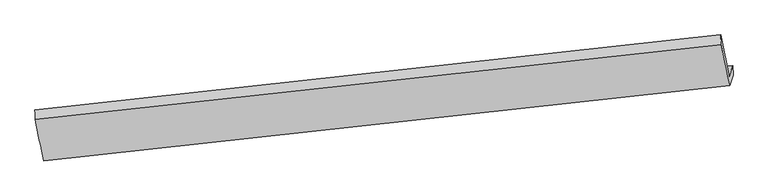
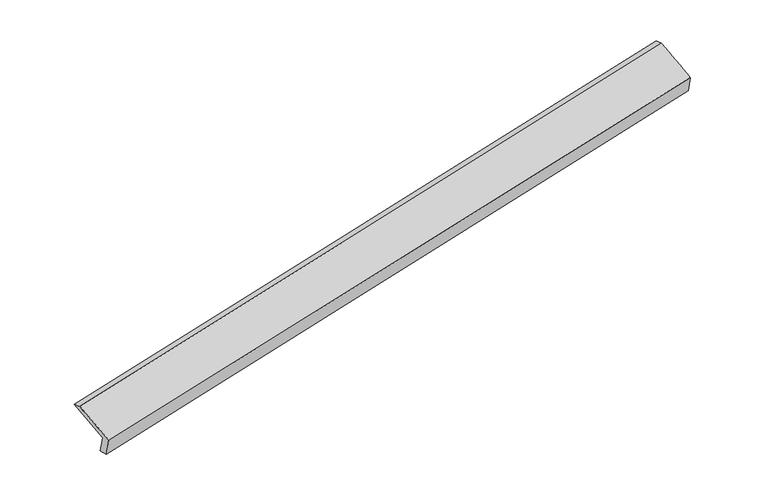
"""IFC4 building model written with IfcOpenShell, lengths in millimetres: proxy geometry."""

from ifc_helpers import new_model, si_unit, frame, origin, place, context, project, spatial, source, transform, mapped, element, save
from ifc_brep_helpers import plane_surface, spline_surface, advanced_brep


def generic_models_d8101a44(model_context):
    return source(origin(), model_context, "Body", "AdvancedBrep", [
        advanced_brep(
        [(-8456.8676467, -2145.3235639, 403.5512448), (-8516.4063214, -2321.9891872, 791.4044432), (2835.6246543, -1095.9946033, 3082.1314752), (2895.855105, -917.2763139, 2689.7718361), (-8444.4429821, -2316.4868197, 437.4054193), (2902.0819489, -1076.5495557, 2744.7332954), (-8506.4377433, -2500.4402446, 841.2583187), (2842.8542914, -1252.2923157, 3130.5604321), (-8643.6275096, -1815.3132136, 1132.2712523), (2708.6971288, -566.8280876, 3422.1924875), (-8650.5062442, -1652.2928648, 1075.8630657), (2700.9441566, -407.8564402, 3374.9011613)],
        [
            (0, 1),
            (1, 2),
            (2, 3),
            (3, 0),
            (4, 0),
            (3, 5),
            (5, 4),
            (6, 4),
            (5, 7),
            (7, 6),
            (8, 6),
            (7, 9),
            (9, 8),
            (10, 8),
            (9, 11),
            (11, 10),
            (1, 10),
            (11, 2),
        ],
        [
            plane_surface(frame((-8486.636984, -2233.6563756, 597.477844), z_axis=(-0.1756372703728762, 0.9057861446778113, 0.3856202916933607), x_axis=(-0.13835518520298024, -0.41053323973741984, 0.9012881347261525))),
            spline_surface(1, 1, [[(-8444.4429821, -2316.4868197, 437.4054193), (2902.0819489, -1076.5495557, 2744.7332954)], [(-8456.8676467, -2145.3235639, 403.5512448), (2895.855105, -917.2763139, 2689.7718361)]], [2, 2], [2, 2], [0.0, 1.0], [0.0, 1.0]),
            plane_surface(frame((-8475.4403627, -2408.4635321, 639.331869), z_axis=(0.17731082869131312, -0.9056045840487064, -0.38528068648554104), x_axis=(0.1383551852032082, 0.4105332397375109, -0.901288134726076))),
            spline_surface(1, 1, [[(-8643.6275096, -1815.3132136, 1132.2712523), (2708.6971288, -566.8280876, 3422.1924875)], [(-8506.4377433, -2500.4402446, 841.2583187), (2842.8542914, -1252.2923157, 3130.5604321)]], [2, 2], [2, 2], [0.0, 1.0], [0.0, 1.0]),
            spline_surface(1, 1, [[(-8650.5062442, -1652.2928648, 1075.8630657), (2700.9441566, -407.8564402, 3374.9011613)], [(-8643.6275096, -1815.3132136, 1132.2712523), (2708.6971288, -566.8280876, 3422.1924875)]], [2, 2], [2, 2], [0.0, 1.0], [0.0, 1.0]),
            spline_surface(1, 1, [[(-8516.4063214, -2321.9891872, 791.4044432), (2835.6246543, -1095.9946033, 3082.1314752)], [(-8650.5062442, -1652.2928648, 1075.8630657), (2700.9441566, -407.8564402, 3374.9011613)]], [2, 2], [2, 2], [0.0, 1.0], [0.0, 1.0]),
            plane_surface(frame((2814.3428808, -886.1328861, 3074.0484479), z_axis=(0.9743933795404328, 0.10644032041314214, 0.19806059703565942), x_axis=(0.17724385641020063, -0.9056119021197638, -0.38529430063766007))),
            plane_surface(frame((-8536.3814079, -2125.307649, 780.2922907), z_axis=(-0.9736560608484625, -0.11016456582286763, -0.19964379181460756), x_axis=(0.13835518520300336, 0.410533239737417, -0.9012881347261503))),
        ],
        [
            (0, [[1, 2, 3, 4]]),
            (1, [[5, -4, 6, 7]]),
            (2, [[8, -7, 9, 10]]),
            (3, [[11, -10, 12, 13]]),
            (4, [[14, -13, 15, 16]]),
            (5, [[17, -16, 18, -2]]),
            (6, [[-12, -9, -6, -3, -18, -15]]),
            (7, [[-1, -5, -8, -11, -14, -17]]),
        ],
    ),
    ])


if __name__ == "__main__":
    model = new_model("IFC4")
    model_context = context("Model", 3, world=origin())
    ifc_project = project(units=[si_unit("LENGTHUNIT", "METRE", prefix="MILLI")], contexts=[model_context])
    site = spatial("IfcSite", under=ifc_project)
    building = spatial("IfcBuilding", under=site)
    placement = place(None, origin())
    generic_models_shape = generic_models_d8101a44(model_context)
    element("IfcBuildingElementProxy", 1, Name="Generic Models", at=placement, inside=building, context=model_context, shape_type="MappedRepresentation", body=[
        mapped(generic_models_shape, transform((0.0, 0.0, 0.0), x_axis=(1.0, 0.0, 0.0), y_axis=(0.0, 1.0, 0.0), z_axis=(0.0, 0.0, 1.0))),
    ])
    save(model, "model.ifc")
